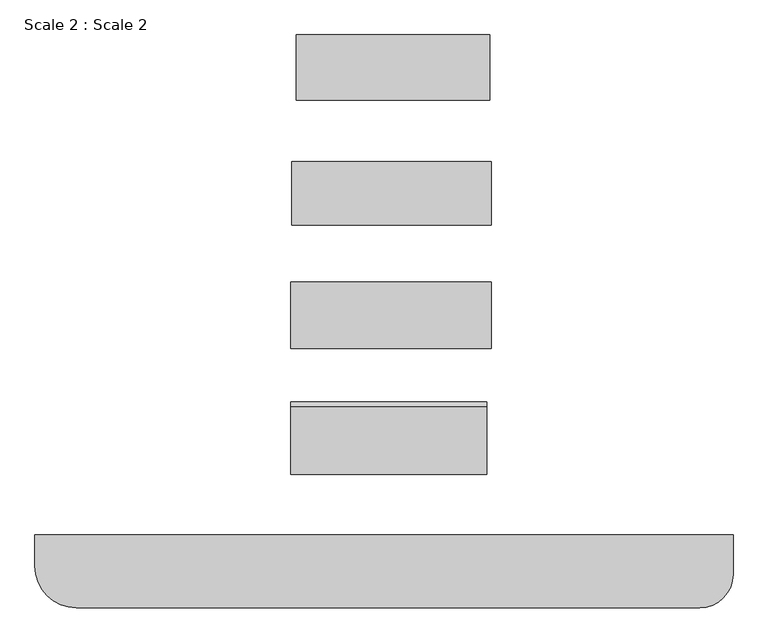
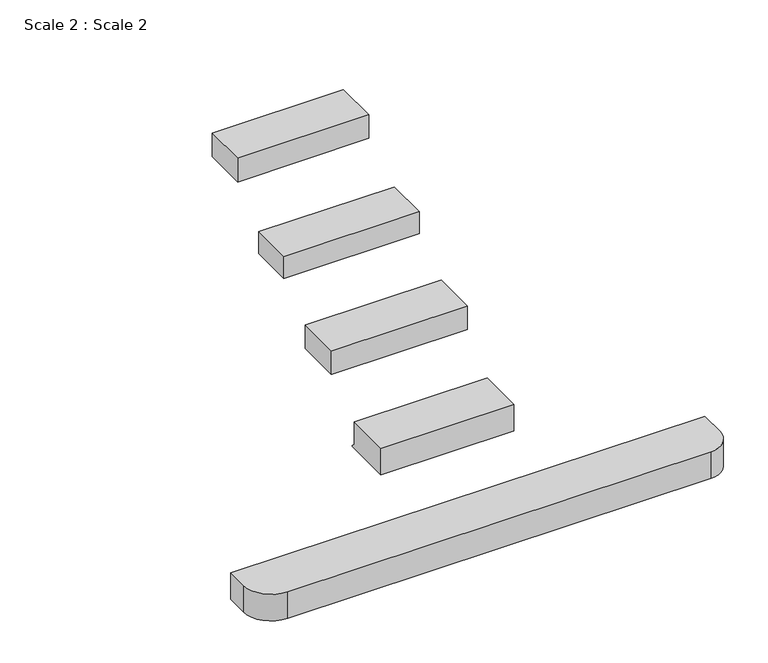
"""IFC4 building model written with IfcOpenShell, lengths in millimetres: proxy geometry, Scale 2 : Scale 2."""

from ifc_helpers import new_model, si_unit, point, frame, frame_2d, origin, place, context, project, spatial, polyline, circle_curve, trimmed, segment, composite_curve, outline, extrude, faceted_brep, source, transform, mapped, element, save


def scale_2_scale_2_3c2a9563(model_context):
    return source(origin(), model_context, "Body", "SolidModel", [
        extrude(outline(composite_curve([segment(polyline([(2024.8367294, 103077.2905233), (2024.8367294, 102838.9904308)]), True, "CONTINUOUS"), segment(trimmed(circle_curve(frame_2d((1824.749074, 102838.9904308)), 200.0876554), [point((2024.8367294, 102838.9904308))], [point((1824.749074, 102638.9027754))], False, "CARTESIAN"), True, "CONTINUOUS"), segment(polyline([(1824.749074, 102638.9027754), (-1925.411777, 102638.9027754)]), True, "CONTINUOUS"), segment(trimmed(circle_curve(frame_2d((-1925.411777, 102888.5131076)), 249.6103322), [point((-1925.411777, 102638.9027754))], [point((-2175.0221091, 102888.5131076))], False, "CARTESIAN"), True, "CONTINUOUS"), segment(polyline([(-2175.0221091, 102888.5131076), (-2175.0221091, 103077.2905233), (2024.8367294, 103077.2905233)]), True, "CONTINUOUS")], self_intersect=False)), frame((0.0, 0.0, 83.5311581), z_axis=(0.0, 0.0, 1.0), x_axis=(1.0, 0.0, 0.0)), (0.0, 0.0, 1.0), 248.7420198),
        faceted_brep([(-603.324931, 105695.461677, 2084.3193759), (560.9410287, 105695.461677, 2084.3193759), (560.9410287, 106087.0962351, 2084.3193759), (-603.324931, 106087.0962351, 2084.3193759), (-603.324931, 105695.461677, 1862.9211035), (-603.324931, 106087.0962351, 1862.921378), (560.9410287, 105695.461677, 1863.8777045), (560.9410287, 106087.0962351, 1863.8779791)], [[[0, 1, 2, 3]], [[4, 0, 3, 5]], [[1, 0, 4, 6]], [[1, 6, 7, 2]], [[4, 5, 7, 6]], [[3, 2, 7, 5]]]),
        extrude(outline(polyline([(-629.0123116, 104941.4683743), (-629.0123116, 105325.6420003), (570.6527038, 105324.6563152), (570.6527038, 104941.4683743), (-629.0123116, 104941.4683743)])), frame((0.0, 0.0, 1424.5879811), z_axis=(0.0, 0.0, 1.0), x_axis=(1.0, 0.0, 0.0)), (0.0, 0.0, 1.0), 204.8327819),
        extrude(outline(polyline([(-635.2241863, 104199.7629373), (-635.2241863, 104600.5338314), (570.6527038, 104600.5338314), (570.6527038, 104199.7629373), (-635.2241863, 104199.7629373)])), frame((0.0, 0.0, 973.9120979), z_axis=(0.0, 0.0, 1.0), x_axis=(1.0, 0.0, 0.0)), (0.0, 0.0, 1.0), 221.5113287),
        extrude(outline(polyline([(103878.4433069, 494.1945551), (103440.0555591, 494.1945551), (103440.0555591, 742.9365749), (103848.4433069, 742.9365749), (103848.4433069, 533.079548), (103878.4433069, 502.3667902), (103878.4433069, 494.1945551)])), frame((-635.2241863, 0.0, 0.0), z_axis=(1.0, 0.0, 0.0), x_axis=(0.0, 1.0, 0.0)), (0.0, 0.0, 1.0), 1179.3439684),
    ])


if __name__ == "__main__":
    model = new_model("IFC4")
    model_context = context("Model", 3, world=origin())
    ifc_project = project(units=[si_unit("LENGTHUNIT", "METRE", prefix="MILLI")], contexts=[model_context])
    site = spatial("IfcSite", under=ifc_project)
    building = spatial("IfcBuilding", under=site)
    placement = place(None, origin())
    scale_2_scale_2_shape = scale_2_scale_2_3c2a9563(model_context)
    element("IfcBuildingElementProxy", 1, Name="Scale 2 : Scale 2", ObjectType="Scale 2 : Scale 2", at=placement, inside=building, context=model_context, shape_type="MappedRepresentation", body=[
        mapped(scale_2_scale_2_shape, transform((0.0, 0.0, 0.0), x_axis=(1.0, 0.0, 0.0), y_axis=(0.0, 1.0, 0.0), z_axis=(0.0, 0.0, 1.0))),
    ])
    save(model, "model.ifc")
